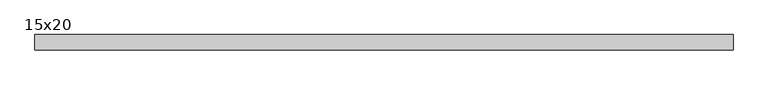
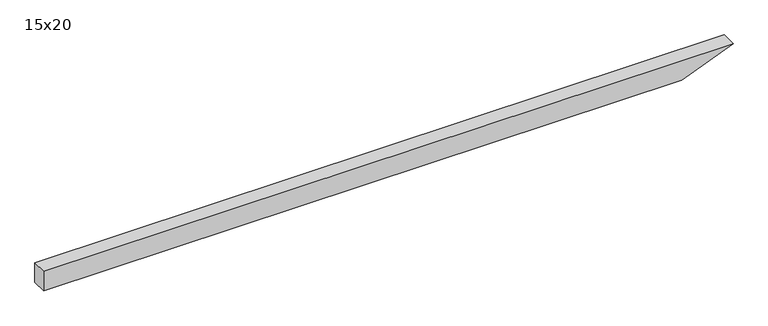
"""IFC4 building model written with IfcOpenShell, lengths in millimetres: beam geometry, 15x20."""

from ifc_helpers import new_model, si_unit, frame, origin, place, context, project, spatial, polyline, outline, extrude, source, transform, mapped, element, save


def beam_15x20_25d09629(model_context):
    return source(origin(), model_context, "Body", "SweptSolid", [
        extrude(outline(polyline([(100.0, -3397.0), (-100.0, -3397.0), (-100.0, 2844.8), (100.0, 3347.0), (100.0, -3397.0)])), frame((0.0, -75.0, 0.0), z_axis=(0.0, 1.0, 0.0), x_axis=(0.0, 0.0, 1.0)), (0.0, 0.0, 1.0), 150.0),
    ])


if __name__ == "__main__":
    model = new_model("IFC4")
    model_context = context("Model", 3, world=origin())
    ifc_project = project(units=[si_unit("LENGTHUNIT", "METRE", prefix="MILLI")], contexts=[model_context])
    site = spatial("IfcSite", under=ifc_project)
    building = spatial("IfcBuilding", under=site)
    placement = place(None, origin())
    beam_15x20_shape = beam_15x20_25d09629(model_context)
    element("IfcBeam", 1, ObjectType="15x20", at=placement, inside=building, context=model_context, shape_type="MappedRepresentation", body=[
        mapped(beam_15x20_shape, transform((0.0, 0.0, 0.0), x_axis=(1.0, 0.0, 0.0), y_axis=(0.0, 1.0, 0.0), z_axis=(0.0, 0.0, 1.0))),
    ])
    save(model, "model.ifc")
